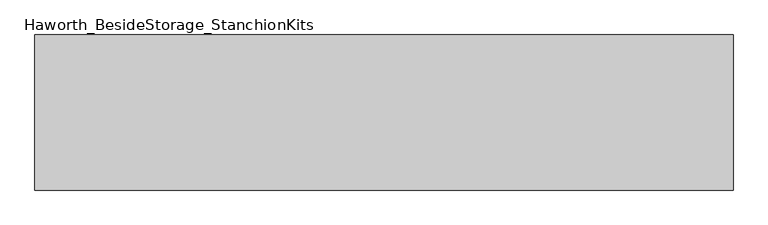
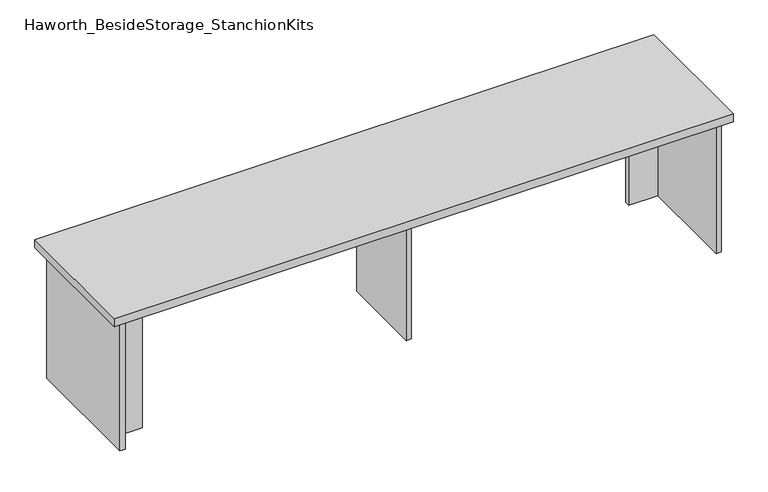
"""IFC4 building model written with IfcOpenShell, lengths in millimetres: furniture geometry, Haworth_BesideStorage_StanchionKits."""

import ifcopenshell
import ifcopenshell.guid

model = None  # the IFC model being written
_history = None  # IfcOwnerHistory: only IFC2X3 demands one
_inside = {}  # id of a spatial element -> (the spatial element, [elements in it])
_under = {}  # id of a project, library or spatial element -> (it, [spatial elements below it])
_declared = {}  # id of a project -> (the project, [libraries it declares])
_typed = {}  # id of a type object -> (the type object, [elements of that type])
_made_of = {}  # id of a material, layer set ... -> (it, [elements and type objects made of it])


def new_model(schema):
    """Start an empty IFC model of exactly this schema.

    Asked for "IFC4X3", IfcOpenShell would pick the latest addendum, in which some entities
    have other attributes; the version numbers below select the first issue.
    IFC2X3 requires an IfcOwnerHistory on every rooted entity: one is made here for all.
    """
    global model, _history
    if schema == "IFC4X3":
        model = ifcopenshell.file(schema_version=(4, 3, 0, 0))
    else:
        model = ifcopenshell.file(schema=schema)
    _inside.clear()
    _under.clear()
    _declared.clear()
    _typed.clear()
    _made_of.clear()
    _history = None
    if model.schema == "IFC2X3":
        org = make("IfcOrganization", Name="unknown")
        user = make(
            "IfcPersonAndOrganization",
            ThePerson=make("IfcPerson", FamilyName="unknown"),
            TheOrganization=org,
        )
        app = make(
            "IfcApplication",
            ApplicationDeveloper=org,
            Version="unknown",
            ApplicationFullName="unknown",
            ApplicationIdentifier="unknown",
        )
        _history = make(
            "IfcOwnerHistory",
            OwningUser=user,
            OwningApplication=app,
            ChangeAction="ADDED",
            CreationDate=0,
        )
    return model


def make(cls, **values):
    """One entity of the class cls with the attributes given. An attribute that is None is left unset."""
    return model.create_entity(
        cls, **{name: value for name, value in values.items() if value is not None}
    )


def rooted(cls, **values):
    """An entity with a GlobalId (a new one), such as an element, a storey or a relation."""
    return make(cls, GlobalId=ifcopenshell.guid.new(), OwnerHistory=_history, **values)


def si_unit(unit_type, name, prefix=None):
    """IfcSIUnit, for example si_unit("LENGTHUNIT", "METRE", prefix="MILLI")."""
    return make("IfcSIUnit", UnitType=unit_type, Prefix=prefix, Name=name)


def assignment(units):
    """IfcUnitAssignment: the units of a project."""
    return None if units is None else make("IfcUnitAssignment", Units=units)


def point(xyz):
    """IfcCartesianPoint."""
    return None if xyz is None else make("IfcCartesianPoint", Coordinates=xyz)


def direction(xyz):
    """IfcDirection."""
    return None if xyz is None else make("IfcDirection", DirectionRatios=xyz)


def frame(location, z_axis=None, x_axis=None):
    """IfcAxis2Placement3D, a coordinate frame: its origin and axes. An axis left out is left unset."""
    return make(
        "IfcAxis2Placement3D",
        Location=point(location),
        Axis=direction(z_axis),
        RefDirection=direction(x_axis),
    )


def origin():
    """The frame at (0, 0, 0) with its axes left unset."""
    return frame((0.0, 0.0, 0.0))


def place(relative_to, where):
    """IfcLocalPlacement: puts the frame where relative to a parent placement (None: the world)."""
    return make(
        "IfcLocalPlacement", PlacementRelTo=relative_to, RelativePlacement=where
    )


def context(
    kind, dimensions, precision=None, world=None, true_north=None, identifier=None
):
    """IfcGeometricRepresentationContext, for example the 3D "Model" context."""
    return make(
        "IfcGeometricRepresentationContext",
        ContextIdentifier=identifier,
        ContextType=kind,
        CoordinateSpaceDimension=dimensions,
        Precision=precision,
        WorldCoordinateSystem=world,
        TrueNorth=true_north,
    )


def project(units=None, contexts=None):
    """IfcProject with its units and contexts."""
    return rooted(
        "IfcProject",
        Name="project",
        RepresentationContexts=contexts,
        UnitsInContext=assignment(units),
    )


def spatial(cls, under=None, at=None, **own):
    """A site, building, storey or space (cls), placed at a placement, below another one or the project."""
    s = rooted(cls, ObjectPlacement=at, **own)
    if under is not None:
        _under.setdefault(under.id(), (under, []))[1].append(s)
    return s


def polyline(points):
    """IfcPolyline through the points."""
    return make("IfcPolyline", Points=[point(p) for p in points])


def outline(outer, holes=None, kind="AREA"):
    """IfcArbitraryClosedProfileDef: a profile drawn as a closed curve; with holes, ...WithVoids."""
    if holes is None:
        return make("IfcArbitraryClosedProfileDef", ProfileType=kind, OuterCurve=outer)
    return make(
        "IfcArbitraryProfileDefWithVoids",
        ProfileType=kind,
        OuterCurve=outer,
        InnerCurves=holes,
    )


def extrude(swept, where, along, depth):
    """IfcExtrudedAreaSolid: the profile swept, set in the frame where, extruded along a direction by depth."""
    return make(
        "IfcExtrudedAreaSolid",
        SweptArea=swept,
        Position=where,
        ExtrudedDirection=direction(along),
        Depth=depth,
    )


def shape(context_of_items, identifier, shape_type, items):
    """IfcShapeRepresentation: the items that make up one representation, for example the "Body"."""
    return make(
        "IfcShapeRepresentation",
        ContextOfItems=context_of_items,
        RepresentationIdentifier=identifier,
        RepresentationType=shape_type,
        Items=items,
    )


def source(mapping_origin, context_of_items, identifier, shape_type, items):
    """IfcRepresentationMap: a shape defined once, which mapped items show again and again."""
    return make(
        "IfcRepresentationMap",
        MappingOrigin=mapping_origin,
        MappedRepresentation=shape(context_of_items, identifier, shape_type, items),
    )


def transform(
    local_origin,
    x_axis=None,
    y_axis=None,
    z_axis=None,
    scale=None,
    scale2=None,
    scale3=None,
    uniform=True,
):
    """IfcCartesianTransformationOperator3D, or its non-uniform kind. x_axis, y_axis, z_axis: its Axis1, 2, 3."""
    if uniform:
        return make(
            "IfcCartesianTransformationOperator3D",
            Axis1=direction(x_axis),
            Axis2=direction(y_axis),
            LocalOrigin=point(local_origin),
            Scale=scale,
            Axis3=direction(z_axis),
        )
    return make(
        "IfcCartesianTransformationOperator3DnonUniform",
        Axis1=direction(x_axis),
        Axis2=direction(y_axis),
        LocalOrigin=point(local_origin),
        Scale=scale,
        Axis3=direction(z_axis),
        Scale2=scale2,
        Scale3=scale3,
    )


def mapped(mapping_source, mapping_target):
    """IfcMappedItem: shows the shape of a source again, moved by a transform."""
    return make(
        "IfcMappedItem", MappingSource=mapping_source, MappingTarget=mapping_target
    )


def made_of(thing, what):
    """Note that an element or type object is made of a material, layer set ...; save() writes the relation."""
    if what is not None:
        _made_of.setdefault(what.id(), (what, []))[1].append(thing)
    return thing


def element(
    cls,
    number,
    at=None,
    inside=None,
    cuts=None,
    type_object=None,
    material=None,
    context=None,
    identifier="Body",
    shape_type=None,
    held_by="IfcProductDefinitionShape",
    body=None,
    shapes=None,
    **own,
):
    """One element of the class cls, such as IfcWall. Its Tag is "e" and its number.

    at: its placement. inside: the storey or other place that contains it. cuts: it is an
    opening in that element (IfcRelVoidsElement). A single representation is given by context,
    identifier, shape_type and body (its items); several are given by shapes. held_by: the class
    of the entity that holds the representations. save() writes the other relations.
    """
    e = rooted(cls, Tag="e%d" % number, ObjectPlacement=at, **own)
    if body is not None:
        shapes = [shape(context, identifier, shape_type, body)]
    if shapes is not None:
        e.Representation = make(held_by, Representations=shapes)
    if inside is not None:
        _inside.setdefault(inside.id(), (inside, []))[1].append(e)
    if cuts is not None:
        rooted(
            "IfcRelVoidsElement", RelatingBuildingElement=cuts, RelatedOpeningElement=e
        )
    if type_object is not None:
        _typed.setdefault(type_object.id(), (type_object, []))[1].append(e)
    return made_of(e, material)


def aggregate(whole, parts):
    """IfcRelAggregates: a whole, such as a stair, and the parts it consists of."""
    return rooted("IfcRelAggregates", RelatingObject=whole, RelatedObjects=parts)


def save(model, path):
    """Write the relations noted so far, then the file.

    IfcRelAggregates (storeys below a building ...), IfcRelContainedInSpatialStructure (elements
    in a storey), IfcRelDefinesByType, IfcRelAssociatesMaterial and IfcRelDeclares: one each for
    every whole, place, type object, material and project.
    """
    for whole, parts in _under.values():
        aggregate(whole, parts)
    for where, things in _inside.values():
        rooted(
            "IfcRelContainedInSpatialStructure",
            RelatedElements=things,
            RelatingStructure=where,
        )
    for kind, things in _typed.values():
        rooted("IfcRelDefinesByType", RelatedObjects=things, RelatingType=kind)
    for what, things in _made_of.values():
        rooted("IfcRelAssociatesMaterial", RelatedObjects=things, RelatingMaterial=what)
    for by, libraries in _declared.values():
        rooted("IfcRelDeclares", RelatingContext=by, RelatedDefinitions=libraries)
    model.write(path)


def haworth_besidestorage_stanchionkits_6e038f31(model_context):
    return source(origin(), model_context, "Body", "SweptSolid", [
        extrude(outline(polyline([(1076.325, 0.0), (1076.325, -406.4), (-752.475, -406.4), (-752.475, 0.0), (1076.325, 0.0)])), frame((0.0, 0.0, 838.2), z_axis=(0.0, 0.0, 1.0), x_axis=(1.0, 0.0, 0.0)), (0.0, 0.0, 1.0), 25.4),
        extrude(outline(polyline([(949.325, -76.2), (1035.05, -76.2), (1035.05, -92.075), (949.325, -92.075), (949.325, -76.2)])), frame((0.0, 0.0, 431.8), z_axis=(0.0, 0.0, 1.0), x_axis=(1.0, 0.0, 0.0)), (0.0, 0.0, 1.0), 406.4),
        extrude(outline(polyline([(-625.475, -314.325), (-625.475, -330.2), (-711.2, -330.2), (-711.2, -314.325), (-625.475, -314.325)])), frame((0.0, 0.0, 431.8), z_axis=(0.0, 0.0, 1.0), x_axis=(1.0, 0.0, 0.0)), (0.0, 0.0, 1.0), 406.4),
        extrude(outline(polyline([(169.8625, -330.2), (153.9875, -330.2), (153.9875, -76.2), (169.8625, -76.2), (169.8625, -330.2)])), frame((0.0, 0.0, 431.8), z_axis=(0.0, 0.0, 1.0), x_axis=(1.0, 0.0, 0.0)), (0.0, 0.0, 1.0), 406.4),
        extrude(outline(polyline([(1050.925, -390.525), (1035.05, -390.525), (1035.05, -15.875), (1050.925, -15.875), (1050.925, -390.525)])), frame((0.0, 0.0, 431.8), z_axis=(0.0, 0.0, 1.0), x_axis=(1.0, 0.0, 0.0)), (0.0, 0.0, 1.0), 406.4),
        extrude(outline(polyline([(-711.2, -390.525), (-727.075, -390.525), (-727.075, -15.875), (-711.2, -15.875), (-711.2, -390.525)])), frame((0.0, 0.0, 431.8), z_axis=(0.0, 0.0, 1.0), x_axis=(1.0, 0.0, 0.0)), (0.0, 0.0, 1.0), 406.4),
    ])


if __name__ == "__main__":
    model = new_model("IFC4")
    model_context = context("Model", 3, world=origin())
    ifc_project = project(units=[si_unit("LENGTHUNIT", "METRE", prefix="MILLI")], contexts=[model_context])
    site = spatial("IfcSite", under=ifc_project)
    building = spatial("IfcBuilding", under=site)
    placement = place(None, origin())
    haworth_besidestorage_stanchionkits_shape = haworth_besidestorage_stanchionkits_6e038f31(model_context)
    element("IfcFurniture", 1, ObjectType="Haworth_BesideStorage_StanchionKits", at=placement, inside=building, context=model_context, shape_type="MappedRepresentation", body=[
        mapped(haworth_besidestorage_stanchionkits_shape, transform((0.0, 0.0, 0.0), x_axis=(1.0, 0.0, 0.0), y_axis=(0.0, 1.0, 0.0), z_axis=(0.0, 0.0, 1.0))),
    ])
    save(model, "model.ifc")
